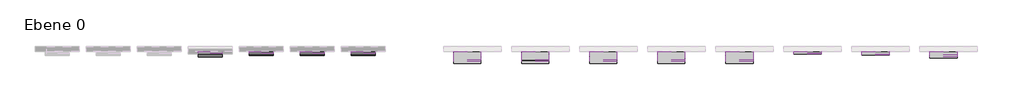
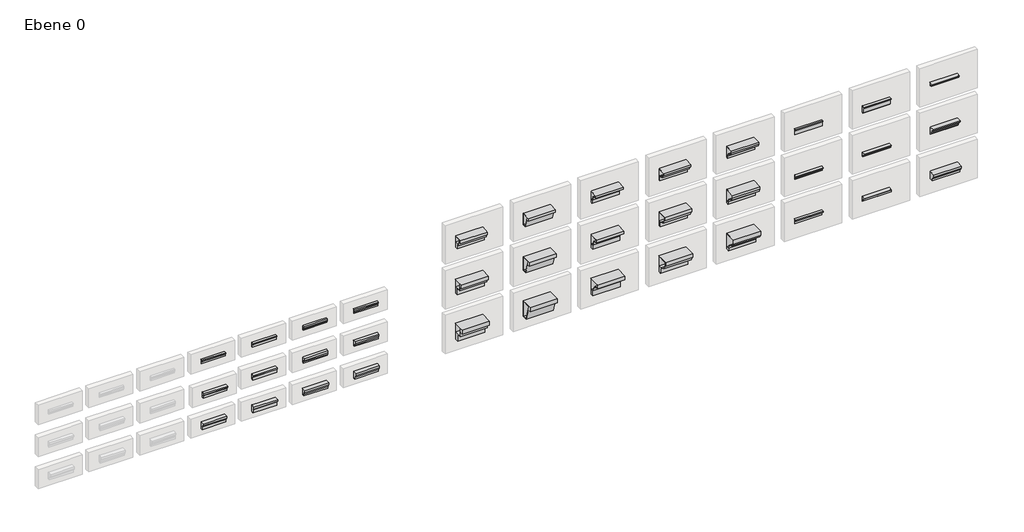
# One storey, part 3 of 3: 36 proxies.
"""IFC4 building model written with IfcOpenShell, lengths in millimetres."""

from ifc_helpers import new_model, si_unit, point, frame, frame_2d, origin, place, context, project, spatial, polyline, circle_curve, trimmed, segment, composite_curve, outline, extrude, element, save

model = new_model("IFC4")

# Units and contexts
model_context = context("Model", 3, world=origin())
ifc_project = project(units=[si_unit("LENGTHUNIT", "METRE", prefix="MILLI")], contexts=[model_context])

# Site, building, storey
site = spatial("IfcSite", under=ifc_project)
building = spatial("IfcBuilding", under=site)
storey = spatial("IfcBuildingStorey", under=building, Name="Ebene 0", Elevation=0.0)

# Proxies
placement = place(None, origin())
element("IfcBuildingElementProxy", 1, Name="Wall Sweeps", at=placement, inside=storey, context=model_context, shape_type="SweptSolid", body=[
    extrude(outline(composite_curve([segment(polyline([(705.4435816, 2213.8266332), (705.4435816, 2088.8266332), (690.4435816, 2088.8266332), (690.4435816, 2093.8266332), (680.4435816, 2093.8266332), (680.4435816, 2088.8266332), (670.4435816, 2088.8266332), (670.4435816, 2148.8266332)]), True, "CONTINUOUS"), segment(trimmed(circle_curve(frame_2d((670.4435816, 2158.8266332)), 10.0), [point((670.4435816, 2148.8266332))], [point((660.4435816, 2158.8266332))], False, "CARTESIAN"), True, "CONTINUOUS"), segment(polyline([(660.4435816, 2158.8266332), (660.4435816, 2168.8266332), (655.4435816, 2168.8266332)]), True, "CONTINUOUS"), segment(trimmed(circle_curve(frame_2d((645.4435816, 2168.8266332)), 10.0), [point((655.4435816, 2168.8266332))], [point((645.4435816, 2178.8266332))], True, "CARTESIAN"), True, "CONTINUOUS"), segment(polyline([(645.4435816, 2178.8266332), (645.4435816, 2208.8266332), (705.4435816, 2213.8266332)]), True, "CONTINUOUS")], self_intersect=False)), frame((587.7334141, 0.0, 0.0), z_axis=(1.0, 0.0, 0.0), x_axis=(0.0, 1.0, 0.0)), (0.0, 0.0, 1.0), 700.0),
])
element("IfcBuildingElementProxy", 2, Name="Wall Sweeps", at=placement, inside=storey, context=model_context, shape_type="SweptSolid", body=[
    extrude(outline(composite_curve([segment(polyline([(645.4435816, 2208.8266332), (705.4435816, 2213.8266332), (705.4435816, 2088.8266332), (685.4435816, 2088.8266332), (685.4435816, 2093.8266332), (675.4435816, 2093.8266332), (675.4435816, 2088.8266332), (665.4435816, 2088.8266332), (665.4435816, 2158.8266332)]), True, "CONTINUOUS"), segment(trimmed(circle_curve(frame_2d((665.4435816, 2168.8266332)), 10.0), [point((665.4435816, 2158.8266332))], [point((655.4435816, 2168.8266332))], False, "CARTESIAN"), True, "CONTINUOUS"), segment(trimmed(circle_curve(frame_2d((645.4435816, 2168.8266332)), 10.0), [point((655.4435816, 2168.8266332))], [point((645.4435816, 2178.8266332))], True, "CARTESIAN"), True, "CONTINUOUS"), segment(polyline([(645.4435816, 2178.8266332), (645.4435816, 2208.8266332)]), True, "CONTINUOUS")], self_intersect=False)), frame((2087.7334141, 0.0, 0.0), z_axis=(1.0, 0.0, 0.0), x_axis=(0.0, 1.0, 0.0)), (0.0, 0.0, 1.0), 700.0),
])
element("IfcBuildingElementProxy", 3, Name="Wall Sweeps", at=placement, inside=storey, context=model_context, shape_type="SweptSolid", body=[
    extrude(outline(polyline([(645.4435816, 2208.8266332), (705.4435816, 2213.8266332), (705.4435816, 2088.8266332), (685.4435816, 2088.8266332), (685.4435816, 2093.8266332), (675.4435816, 2093.8266332), (675.4435816, 2088.8266332), (665.4435816, 2088.8266332), (665.4435816, 2128.8266332), (655.4435816, 2128.8266332), (655.4435816, 2168.8266332), (645.4435816, 2168.8266332), (645.4435816, 2208.8266332)])), frame((3587.7334141, 0.0, 0.0), z_axis=(1.0, 0.0, 0.0), x_axis=(0.0, 1.0, 0.0)), (0.0, 0.0, 1.0), 700.0),
])
element("IfcBuildingElementProxy", 4, Name="Wall Sweeps", at=placement, inside=storey, context=model_context, shape_type="SweptSolid", body=[
    extrude(outline(polyline([(645.4435816, 2208.8266332), (705.4435816, 2213.8266332), (705.4435816, 2088.8266332), (685.4435816, 2088.8266332), (685.4435816, 2093.8266332), (675.4435816, 2093.8266332), (675.4435816, 2088.8266332), (665.4435816, 2088.8266332), (665.4435816, 2128.8266332), (660.4435816, 2128.8266332), (645.4435816, 2168.8266332), (645.4435816, 2208.8266332)])), frame((5087.7334141, 0.0, 0.0), z_axis=(1.0, 0.0, 0.0), x_axis=(0.0, 1.0, 0.0)), (0.0, 0.0, 1.0), 700.0),
])
element("IfcBuildingElementProxy", 5, Name="Wall Sweeps", at=placement, inside=storey, context=model_context, shape_type="SweptSolid", body=[
    extrude(outline(composite_curve([segment(polyline([(540.4435816, 1228.8266332), (630.4435816, 1233.8266332), (630.4435816, 1068.8266332), (600.4435816, 1068.8266332), (600.4435816, 1073.8266332), (590.4435816, 1073.8266332), (590.4435816, 1068.8266332), (580.4435816, 1068.8266332), (580.4435816, 1143.8266332)]), True, "CONTINUOUS"), segment(trimmed(circle_curve(frame_2d((580.4435816, 1158.8266332)), 15.0), [point((580.4435816, 1143.8266332))], [point((565.4435816, 1158.8266332))], False, "CARTESIAN"), True, "CONTINUOUS"), segment(polyline([(565.4435816, 1158.8266332), (565.4435816, 1173.8266332), (555.4435816, 1173.8266332)]), True, "CONTINUOUS"), segment(trimmed(circle_curve(frame_2d((540.4435816, 1173.8266332)), 15.0), [point((555.4435816, 1173.8266332))], [point((540.4435816, 1188.8266332))], True, "CARTESIAN"), True, "CONTINUOUS"), segment(polyline([(540.4435816, 1188.8266332), (540.4435816, 1228.8266332)]), True, "CONTINUOUS")], self_intersect=False)), frame((587.7334141, 0.0, 0.0), z_axis=(1.0, 0.0, 0.0), x_axis=(0.0, 1.0, 0.0)), (0.0, 0.0, 1.0), 700.0),
])
element("IfcBuildingElementProxy", 6, Name="Wall Sweeps", at=placement, inside=storey, context=model_context, shape_type="SweptSolid", body=[
    extrude(outline(polyline([(615.4435816, 1228.8266332), (705.4435816, 1233.8266332), (705.4435816, 1068.8266332), (675.4435816, 1068.8266332), (675.4435816, 1073.8266332), (665.4435816, 1073.8266332), (665.4435816, 1068.8266332), (655.4435816, 1068.8266332), (655.4435816, 1118.8266332), (635.4435816, 1118.8266332), (635.4435816, 1173.8266332), (615.4435816, 1173.8266332), (615.4435816, 1228.8266332)])), frame((3587.7334141, 0.0, 0.0), z_axis=(1.0, 0.0, 0.0), x_axis=(0.0, 1.0, 0.0)), (0.0, 0.0, 1.0), 700.0),
])
element("IfcBuildingElementProxy", 7, Name="Wall Sweeps", at=placement, inside=storey, context=model_context, shape_type="SweptSolid", body=[
    extrude(outline(polyline([(615.4435816, 1228.8266332), (705.4435816, 1233.8266332), (705.4435816, 1068.8266332), (665.4435816, 1068.8266332), (665.4435816, 1073.8266332), (655.4435816, 1073.8266332), (655.4435816, 1068.8266332), (645.4435816, 1068.8266332), (645.4435816, 1118.8266332), (635.4435816, 1118.8266332), (615.4435816, 1173.8266332), (615.4435816, 1228.8266332)])), frame((5087.7334141, 0.0, 0.0), z_axis=(1.0, 0.0, 0.0), x_axis=(0.0, 1.0, 0.0)), (0.0, 0.0, 1.0), 700.0),
])
element("IfcBuildingElementProxy", 8, Name="Wall Sweeps", at=placement, inside=storey, context=model_context, shape_type="SweptSolid", body=[
    extrude(outline(composite_curve([segment(polyline([(585.4435816, 253.8266332), (705.4435816, 258.8266332), (705.4435816, 58.8266332), (655.4435816, 58.8266332), (655.4435816, 63.8266332), (645.4435816, 63.8266332), (645.4435816, 58.8266332), (635.4435816, 58.8266332), (635.4435816, 143.8266332)]), True, "CONTINUOUS"), segment(trimmed(circle_curve(frame_2d((635.4435816, 163.8266332)), 20.0), [point((635.4435816, 143.8266332))], [point((615.4435816, 163.8266332))], False, "CARTESIAN"), True, "CONTINUOUS"), segment(polyline([(615.4435816, 163.8266332), (615.4435816, 183.8266332), (605.4435816, 183.8266332)]), True, "CONTINUOUS"), segment(trimmed(circle_curve(frame_2d((585.4435816, 183.8266332)), 20.0), [point((605.4435816, 183.8266332))], [point((585.4435816, 203.8266332))], True, "CARTESIAN"), True, "CONTINUOUS"), segment(polyline([(585.4435816, 203.8266332), (585.4435816, 253.8266332)]), True, "CONTINUOUS")], self_intersect=False)), frame((587.7334141, 0.0, 0.0), z_axis=(1.0, 0.0, 0.0), x_axis=(0.0, 1.0, 0.0)), (0.0, 0.0, 1.0), 700.0),
])
element("IfcBuildingElementProxy", 9, Name="Wall Sweeps", at=placement, inside=storey, context=model_context, shape_type="SweptSolid", body=[
    extrude(outline(composite_curve([segment(polyline([(585.4435816, 253.8266332), (705.4435816, 258.8266332), (705.4435816, 58.8266332), (645.4435816, 58.8266332), (645.4435816, 63.8266332), (635.4435816, 63.8266332), (635.4435816, 58.8266332), (625.4435816, 58.8266332), (625.4435816, 163.8266332)]), True, "CONTINUOUS"), segment(trimmed(circle_curve(frame_2d((625.4435816, 183.8266332)), 20.0), [point((625.4435816, 163.8266332))], [point((605.4435816, 183.8266332))], False, "CARTESIAN"), True, "CONTINUOUS"), segment(trimmed(circle_curve(frame_2d((585.4435816, 183.8266332)), 20.0), [point((605.4435816, 183.8266332))], [point((585.4435816, 203.8266332))], True, "CARTESIAN"), True, "CONTINUOUS"), segment(polyline([(585.4435816, 203.8266332), (585.4435816, 253.8266332)]), True, "CONTINUOUS")], self_intersect=False)), frame((2087.7334141, 0.0, 0.0), z_axis=(1.0, 0.0, 0.0), x_axis=(0.0, 1.0, 0.0)), (0.0, 0.0, 1.0), 700.0),
])
element("IfcBuildingElementProxy", 10, Name="Wall Sweeps", at=placement, inside=storey, context=model_context, shape_type="SweptSolid", body=[
    extrude(outline(polyline([(585.4435816, 253.8266332), (705.4435816, 258.8266332), (705.4435816, 58.8266332), (655.4435816, 58.8266332), (655.4435816, 63.8266332), (645.4435816, 63.8266332), (645.4435816, 58.8266332), (635.4435816, 58.8266332), (635.4435816, 123.8266332), (610.4435816, 123.8266332), (610.4435816, 188.8266332), (585.4435816, 188.8266332), (585.4435816, 253.8266332)])), frame((3587.7334141, 0.0, 0.0), z_axis=(1.0, 0.0, 0.0), x_axis=(0.0, 1.0, 0.0)), (0.0, 0.0, 1.0), 700.0),
])
element("IfcBuildingElementProxy", 11, Name="Wall Sweeps", at=placement, inside=storey, context=model_context, shape_type="SweptSolid", body=[
    extrude(outline(polyline([(585.4435816, 253.8266332), (705.4435816, 258.8266332), (705.4435816, 58.8266332), (655.4435816, 58.8266332), (655.4435816, 63.8266332), (645.4435816, 63.8266332), (645.4435816, 58.8266332), (635.4435816, 58.8266332), (635.4435816, 123.8266332), (615.4435816, 123.8266332), (585.4435816, 198.8266332), (585.4435816, 253.8266332)])), frame((5087.7334141, 0.0, 0.0), z_axis=(1.0, 0.0, 0.0), x_axis=(0.0, 1.0, 0.0)), (0.0, 0.0, 1.0), 700.0),
])
element("IfcBuildingElementProxy", 12, Name="Wall Sweeps", at=placement, inside=storey, context=model_context, shape_type="SweptSolid", body=[
    extrude(outline(polyline([(705.4435816, 218.8266332), (610.4435816, 218.8266332), (610.4435816, 228.8266332), (600.4435816, 228.8266332), (600.4435816, 218.8266332), (585.4435816, 218.8266332), (585.4435816, 428.8266332), (455.4435816, 428.8266332), (455.4435816, 568.8266332), (355.4435816, 568.8266332), (355.4435816, 694.8266332), (705.4435816, 708.8266332), (705.4435816, 218.8266332)]), holes=[polyline([(685.4435816, 448.8266332), (685.4435816, 688.0106396), (475.4435816, 679.6106396), (475.4435816, 448.8266332), (685.4435816, 448.8266332)])]), frame((8099.3066703, 0.0, 0.0), z_axis=(1.0, 0.0, 0.0), x_axis=(0.0, 1.0, 0.0)), (0.0, 0.0, 1.0), 800.0),
])
element("IfcBuildingElementProxy", 13, Name="Wall Sweeps", at=placement, inside=storey, context=model_context, shape_type="SweptSolid", body=[
    extrude(outline(polyline([(705.4435816, 3408.8106396), (705.4435816, 3078.8266332), (640.4435816, 3078.8266332), (640.4435816, 3088.8266332), (630.4435816, 3088.8266332), (630.4435816, 3078.8266332), (615.4435816, 3078.8266332), (615.4435816, 3228.8266332), (525.4435816, 3228.8266332), (525.4435816, 3328.8266332), (455.4435816, 3328.8266332), (455.4435816, 3418.8266332), (705.4435816, 3428.8266332), (705.4435816, 3408.8106396)]), holes=[polyline([(685.4435816, 3408.0106396), (545.4435816, 3402.4106396), (545.4435816, 3248.8266332), (685.4435816, 3248.8266332), (685.4435816, 3408.0106396)])]), frame((8099.3066703, 0.0, 0.0), z_axis=(1.0, 0.0, 0.0), x_axis=(0.0, 1.0, 0.0)), (0.0, 0.0, 1.0), 800.0),
])
element("IfcBuildingElementProxy", 14, Name="Wall Sweeps", at=placement, inside=storey, context=model_context, shape_type="SweptSolid", body=[
    extrude(outline(polyline([(705.4435816, 2078.8266332), (705.4435816, 1658.8266332), (630.4435816, 1658.8266332), (630.4435816, 1668.8266332), (620.4435816, 1668.8266332), (620.4435816, 1658.8266332), (605.4435816, 1658.8266332), (605.4435816, 1838.8266332), (495.4435816, 1838.8266332), (495.4435816, 1958.8266332), (405.4435816, 1958.8266332), (405.4435816, 2066.8266332), (705.4435816, 2078.8266332)]), holes=[polyline([(515.4435816, 1858.8266332), (685.4435816, 1858.8266332), (685.4435816, 2058.0106396), (515.4435816, 2051.2106396), (515.4435816, 1858.8266332)])]), frame((8099.3066703, 0.0, 0.0), z_axis=(1.0, 0.0, 0.0), x_axis=(0.0, 1.0, 0.0)), (0.0, 0.0, 1.0), 800.0),
])
element("IfcBuildingElementProxy", 15, Name="Wall Sweeps", at=placement, inside=storey, context=model_context, shape_type="SweptSolid", body=[
    extrude(outline(polyline([(705.4435816, 708.8266332), (705.4435816, 218.8266332), (580.4435816, 218.8266332), (580.4435816, 228.8266332), (570.4435816, 228.8266332), (570.4435816, 218.8266332), (555.4435816, 218.8266332), (455.4435816, 568.8266332), (355.4435816, 568.8266332), (355.4435816, 694.8266332), (705.4435816, 708.8266332)]), holes=[polyline([(685.4435816, 238.8266332), (685.4435816, 688.0106396), (444.9399354, 678.3904937), (570.5296098, 238.8266332), (685.4435816, 238.8266332)])]), frame((10099.3066703, 0.0, 0.0), z_axis=(1.0, 0.0, 0.0), x_axis=(0.0, 1.0, 0.0)), (0.0, 0.0, 1.0), 800.0),
])
element("IfcBuildingElementProxy", 16, Name="Wall Sweeps", at=placement, inside=storey, context=model_context, shape_type="SweptSolid", body=[
    extrude(outline(polyline([(705.4435816, 3428.8266332), (705.4435816, 3078.8266332), (620.4435816, 3078.8266332), (620.4435816, 3088.8266332), (610.4435816, 3088.8266332), (610.4435816, 3078.8266332), (595.4435816, 3078.8266332), (525.4435816, 3328.8266332), (455.4435816, 3328.8266332), (455.4435816, 3418.8266332), (705.4435816, 3428.8266332)]), holes=[polyline([(685.4435816, 3408.0106396), (525.8289516, 3401.6260544), (610.6127896, 3098.8266332), (685.4435816, 3098.8266332), (685.4435816, 3408.0106396)])]), frame((10099.3066703, 0.0, 0.0), z_axis=(1.0, 0.0, 0.0), x_axis=(0.0, 1.0, 0.0)), (0.0, 0.0, 1.0), 800.0),
])
element("IfcBuildingElementProxy", 17, Name="Wall Sweeps", at=placement, inside=storey, context=model_context, shape_type="SweptSolid", body=[
    extrude(outline(polyline([(705.4435816, 1658.8266332), (600.4435816, 1658.8266332), (600.4435816, 1668.8266332), (590.4435816, 1668.8266332), (590.4435816, 1658.8266332), (575.4435816, 1658.8266332), (490.4435816, 1958.8266332), (405.4435816, 1958.8266332), (405.4435816, 2066.8266332), (705.4435816, 2078.8266332), (705.4435816, 1658.8266332)]), holes=[polyline([(590.5641974, 1678.8266332), (685.4435816, 1678.8266332), (685.4435816, 2058.0106396), (485.3959355, 2050.0087337), (590.5641974, 1678.8266332)])]), frame((10099.3066703, 0.0, 0.0), z_axis=(1.0, 0.0, 0.0), x_axis=(0.0, 1.0, 0.0)), (0.0, 0.0, 1.0), 800.0),
])
element("IfcBuildingElementProxy", 18, Name="Wall Sweeps", at=placement, inside=storey, context=model_context, shape_type="SweptSolid", body=[
    extrude(outline(composite_curve([segment(polyline([(705.4435816, 708.8266332), (705.4435816, 218.8266332), (630.4435816, 218.8266332), (630.4435816, 228.8266332), (620.4435816, 228.8266332), (620.4435816, 218.8266332), (605.4435816, 218.8266332), (605.4435816, 374.8266332)]), True, "CONTINUOUS"), segment(trimmed(circle_curve(frame_2d((385.4435816, 374.8266332)), 220.0), [point((605.4435816, 374.8266332))], [point((385.4435816, 594.8266332))], True, "CARTESIAN"), True, "CONTINUOUS"), segment(polyline([(385.4435816, 594.8266332), (355.4435816, 594.8266332), (355.4435816, 694.8266332), (705.4435816, 708.8266332)]), True, "CONTINUOUS")], self_intersect=False), holes=[composite_curve([segment(polyline([(615.4435816, 374.8266332), (685.4435816, 374.8266332), (685.4435816, 688.0106396), (385.4435816, 676.0106396), (385.4435816, 604.8266332)]), True, "CONTINUOUS"), segment(trimmed(circle_curve(frame_2d((385.4435816, 374.8266332)), 230.0), [point((385.4435816, 604.8266332))], [point((615.4435816, 374.8266332))], False, "CARTESIAN"), True, "CONTINUOUS")], self_intersect=False)]), frame((12099.3066703, 0.0, 0.0), z_axis=(1.0, 0.0, 0.0), x_axis=(0.0, 1.0, 0.0)), (0.0, 0.0, 1.0), 800.0),
])
element("IfcBuildingElementProxy", 19, Name="Wall Sweeps", at=placement, inside=storey, context=model_context, shape_type="SweptSolid", body=[
    extrude(outline(composite_curve([segment(polyline([(705.4435816, 3078.8266332), (670.4435816, 3078.8266332), (670.4435816, 3088.8266332), (660.4435816, 3088.8266332), (660.4435816, 3078.8266332), (645.4435816, 3078.8266332), (645.4435816, 3178.8266332)]), True, "CONTINUOUS"), segment(trimmed(circle_curve(frame_2d((465.4435816, 3178.8266332)), 180.0), [point((645.4435816, 3178.8266332))], [point((465.4435816, 3358.8266332))], True, "CARTESIAN"), True, "CONTINUOUS"), segment(polyline([(465.4435816, 3358.8266332), (455.4435816, 3358.8266332), (455.4435816, 3418.8266332), (705.4435816, 3428.8266332), (705.4435816, 3078.8266332)]), True, "CONTINUOUS")], self_intersect=False), holes=[composite_curve([segment(polyline([(655.4435816, 3178.8266332), (685.4435816, 3178.8266332), (685.4435816, 3408.0106396), (475.4435816, 3399.6106396), (475.4435816, 3368.5632928)]), True, "CONTINUOUS"), segment(trimmed(circle_curve(frame_2d((465.4435816, 3178.8266332)), 190.0), [point((475.4435816, 3368.5632928))], [point((655.4435816, 3178.8266332))], False, "CARTESIAN"), True, "CONTINUOUS")], self_intersect=False)]), frame((12099.3066703, 0.0, 0.0), z_axis=(1.0, 0.0, 0.0), x_axis=(0.0, 1.0, 0.0)), (0.0, 0.0, 1.0), 800.0),
])
element("IfcBuildingElementProxy", 20, Name="Wall Sweeps", at=placement, inside=storey, context=model_context, shape_type="SweptSolid", body=[
    extrude(outline(composite_curve([segment(polyline([(705.4435816, 1658.8266332), (650.4435816, 1658.8266332), (650.4435816, 1668.8266332), (640.4435816, 1668.8266332), (640.4435816, 1658.8266332), (625.4435816, 1658.8266332), (625.4435816, 1786.8266332)]), True, "CONTINUOUS"), segment(trimmed(circle_curve(frame_2d((425.4435816, 1786.8266332)), 200.0), [point((625.4435816, 1786.8266332))], [point((425.4435816, 1986.8266332))], True, "CARTESIAN"), True, "CONTINUOUS"), segment(polyline([(425.4435816, 1986.8266332), (405.4435816, 1986.8266332), (405.4435816, 2066.8266332), (705.4435816, 2078.8266332), (705.4435816, 1658.8266332)]), True, "CONTINUOUS")], self_intersect=False), holes=[composite_curve([segment(polyline([(635.2053512, 1796.8266332), (685.4435816, 1796.8266332), (685.4435816, 2058.0065443), (425.4435816, 2047.6106396), (425.4435816, 1996.8266332)]), True, "CONTINUOUS"), segment(trimmed(circle_curve(frame_2d((425.4435816, 1786.8266332)), 210.0), [point((425.4435816, 1996.8266332))], [point((635.2053512, 1796.8266332))], False, "CARTESIAN"), True, "CONTINUOUS")], self_intersect=False)]), frame((12099.3066703, 0.0, 0.0), z_axis=(1.0, 0.0, 0.0), x_axis=(0.0, 1.0, 0.0)), (0.0, 0.0, 1.0), 800.0),
])
element("IfcBuildingElementProxy", 21, Name="Wall Sweeps", at=placement, inside=storey, context=model_context, shape_type="SweptSolid", body=[
    extrude(outline(composite_curve([segment(polyline([(705.4435816, 708.8266332), (705.4435816, 218.8266332), (630.4435816, 218.8266332), (630.4435816, 228.8266332), (620.4435816, 228.8266332), (620.4435816, 218.8266332), (605.4435816, 218.8266332), (605.4435816, 394.8266332), (585.4435816, 394.8266332)]), True, "CONTINUOUS"), segment(trimmed(circle_curve(frame_2d((585.4435816, 594.8266332)), 200.0), [point((585.4435816, 394.8266332))], [point((385.4435816, 594.8266332))], False, "CARTESIAN"), True, "CONTINUOUS"), segment(polyline([(385.4435816, 594.8266332), (355.4435816, 594.8266332), (355.4435816, 694.8266332), (705.4435816, 708.8266332)]), True, "CONTINUOUS")], self_intersect=False), holes=[composite_curve([segment(polyline([(585.4435816, 404.8266332), (684.7151366, 404.8266332), (684.7151366, 687.9815018), (395.4435816, 676.4106396), (395.4435816, 594.8266332)]), True, "CONTINUOUS"), segment(trimmed(circle_curve(frame_2d((585.4435816, 594.8266332)), 190.0), [point((395.4435816, 594.8266332))], [point((585.4435816, 404.8266332))], True, "CARTESIAN"), True, "CONTINUOUS")], self_intersect=False)]), frame((14099.3066703, 0.0, 0.0), z_axis=(1.0, 0.0, 0.0), x_axis=(0.0, 1.0, 0.0)), (0.0, 0.0, 1.0), 800.0),
])
element("IfcBuildingElementProxy", 22, Name="Wall Sweeps", at=placement, inside=storey, context=model_context, shape_type="SweptSolid", body=[
    extrude(outline(composite_curve([segment(polyline([(705.4435816, 3078.8266332), (670.4435816, 3078.8266332), (670.4435816, 3088.8266332), (660.4435816, 3088.8266332), (660.4435816, 3078.8266332), (645.4435816, 3078.8266332), (645.4435816, 3198.8266332)]), True, "CONTINUOUS"), segment(trimmed(circle_curve(frame_2d((645.1492241, 3368.8263783)), 170.0), [point((645.4435816, 3198.8266332))], [point((475.4435816, 3358.8266332))], False, "CARTESIAN"), True, "CONTINUOUS"), segment(polyline([(475.4435816, 3358.8266332), (455.4435816, 3358.8266332), (455.4435816, 3418.8266332), (705.4435816, 3428.7990998), (705.4435816, 3078.8266332)]), True, "CONTINUOUS")], self_intersect=False), holes=[composite_curve([segment(polyline([(645.4347928, 3208.8266332), (685.4918611, 3208.8266332), (685.4918611, 3407.9872347), (485.4435816, 3400.0073356), (485.4435816, 3359.1254632)]), True, "CONTINUOUS"), segment(trimmed(circle_curve(frame_2d((645.1492241, 3368.8263783)), 160.0), [point((485.4435816, 3359.1254632))], [point((645.4347928, 3208.8266332))], True, "CARTESIAN"), True, "CONTINUOUS")], self_intersect=False)]), frame((14099.3066703, 0.0, 0.0), z_axis=(1.0, 0.0, 0.0), x_axis=(0.0, 1.0, 0.0)), (0.0, 0.0, 1.0), 800.0),
])
element("IfcBuildingElementProxy", 23, Name="Wall Sweeps", at=placement, inside=storey, context=model_context, shape_type="SweptSolid", body=[
    extrude(outline(composite_curve([segment(polyline([(705.4435816, 1658.8266332), (650.4435816, 1658.8266332), (650.4435816, 1668.8266332), (640.4435816, 1668.8266332), (640.4435816, 1658.8266332), (625.4435816, 1658.8266332), (625.4435816, 1806.8266332), (605.4435816, 1806.8266332)]), True, "CONTINUOUS"), segment(trimmed(circle_curve(frame_2d((605.4435816, 1986.8266332)), 180.0), [point((605.4435816, 1806.8266332))], [point((425.4435816, 1986.8266332))], False, "CARTESIAN"), True, "CONTINUOUS"), segment(polyline([(425.4435816, 1986.8266332), (405.4435816, 1986.8266332), (405.4435816, 2066.8266332), (705.4435816, 2078.8266332), (705.4435816, 1658.8266332)]), True, "CONTINUOUS")], self_intersect=False), holes=[composite_curve([segment(trimmed(circle_curve(frame_2d((605.4435816, 1986.8266332)), 170.0), [point((435.4435816, 1986.8266332))], [point((605.4435816, 1816.8266332))], True, "CARTESIAN"), True, "CONTINUOUS"), segment(polyline([(605.4435816, 1816.8266332), (685.4435816, 1816.8266332), (685.4435816, 2058.0106396), (435.4435816, 2048.0106396), (435.4435816, 1986.8266332)]), True, "CONTINUOUS")], self_intersect=False)]), frame((14099.3066703, 0.0, 0.0), z_axis=(1.0, 0.0, 0.0), x_axis=(0.0, 1.0, 0.0)), (0.0, 0.0, 1.0), 800.0),
])
element("IfcBuildingElementProxy", 24, Name="Wall Sweeps", at=placement, inside=storey, context=model_context, shape_type="SweptSolid", body=[
    extrude(outline(composite_curve([segment(polyline([(705.4435816, 708.8266332), (705.4435816, 218.8266332), (630.4435816, 218.8266332), (630.4435816, 228.8266332), (620.4435816, 228.8266332), (620.4435816, 218.8266332), (605.4435816, 218.8266332), (605.4435816, 306.438415)]), True, "CONTINUOUS"), segment(trimmed(circle_curve(frame_2d((445.4435816, 306.438415)), 160.0), [point((605.4435816, 306.438415))], [point((462.5864387, 465.5173968))], True, "CARTESIAN"), True, "CONTINUOUS"), segment(trimmed(circle_curve(frame_2d((475.4435816, 584.8266332)), 120.0), [point((462.5864387, 465.5173968))], [point((355.4435816, 584.8266332))], False, "CARTESIAN"), True, "CONTINUOUS"), segment(polyline([(355.4435816, 584.8266332), (355.4435816, 694.8266332), (705.4435816, 708.8266332)]), True, "CONTINUOUS")], self_intersect=False), holes=[composite_curve([segment(polyline([(685.4435816, 688.0106396), (365.4435816, 675.2106396), (365.4435816, 584.8266332)]), True, "CONTINUOUS"), segment(trimmed(circle_curve(frame_2d((475.4435816, 584.8266332)), 110.0), [point((365.4435816, 584.8266332))], [point((463.6578673, 475.4598332))], True, "CARTESIAN"), True, "CONTINUOUS"), segment(trimmed(circle_curve(frame_2d((445.4435816, 306.438415)), 170.0), [point((463.6578673, 475.4598332))], [point((615.4359576, 304.828415))], False, "CARTESIAN"), True, "CONTINUOUS"), segment(polyline([(615.4359576, 304.828415), (685.4435816, 304.828415), (685.4435816, 688.0106396)]), True, "CONTINUOUS")], self_intersect=False)]), frame((16099.3066703, 0.0, 0.0), z_axis=(1.0, 0.0, 0.0), x_axis=(0.0, 1.0, 0.0)), (0.0, 0.0, 1.0), 800.0),
])
element("IfcBuildingElementProxy", 25, Name="Wall Sweeps", at=placement, inside=storey, context=model_context, shape_type="SweptSolid", body=[
    extrude(outline(composite_curve([segment(polyline([(705.4435816, 3428.8266332), (705.4435816, 3078.8266332), (670.4435816, 3078.8266332), (670.4435816, 3088.8266332), (660.4435816, 3088.8266332), (660.4435816, 3078.8266332), (645.4435816, 3078.8266332), (645.4435816, 3148.8266332)]), True, "CONTINUOUS"), segment(trimmed(circle_curve(frame_2d((525.4435816, 3148.8266332)), 120.0), [point((645.4435816, 3148.8266332))], [point((536.816023, 3268.2865326))], True, "CARTESIAN"), True, "CONTINUOUS"), segment(trimmed(circle_curve(frame_2d((545.3453541, 3357.8814572)), 90.0), [point((536.816023, 3268.2865326))], [point((455.4435816, 3353.6777319))], False, "CARTESIAN"), True, "CONTINUOUS"), segment(polyline([(455.4435816, 3353.6777319), (455.4435816, 3418.8266332), (705.4435816, 3428.8266332)]), True, "CONTINUOUS")], self_intersect=False), holes=[composite_curve([segment(polyline([(685.4435816, 3407.9853318), (465.3505745, 3399.2068639), (465.3505745, 3356.9675442)]), True, "CONTINUOUS"), segment(trimmed(circle_curve(frame_2d((545.3453541, 3357.8814572)), 80.0), [point((465.3505745, 3356.9675442))], [point((537.7637265, 3278.2415242))], True, "CARTESIAN"), True, "CONTINUOUS"), segment(trimmed(circle_curve(frame_2d((525.4435816, 3148.8266332)), 130.0), [point((537.7637265, 3278.2415242))], [point((655.4435816, 3148.8266332))], False, "CARTESIAN"), True, "CONTINUOUS"), segment(polyline([(655.4435816, 3148.8266332), (685.4435816, 3148.8266332), (685.4435816, 3407.9853318)]), True, "CONTINUOUS")], self_intersect=False)]), frame((16099.3066703, 0.0, 0.0), z_axis=(1.0, 0.0, 0.0), x_axis=(0.0, 1.0, 0.0)), (0.0, 0.0, 1.0), 800.0),
])
element("IfcBuildingElementProxy", 26, Name="Wall Sweeps", at=placement, inside=storey, context=model_context, shape_type="SweptSolid", body=[
    extrude(outline(composite_curve([segment(polyline([(705.4435816, 2078.8266332), (705.4435816, 1658.8266332), (645.4435816, 1658.8266332), (645.4435816, 1668.8266332), (635.4435816, 1668.8266332), (635.4435816, 1658.8266332), (625.4435816, 1658.8266332), (625.4435816, 1736.8266332)]), True, "CONTINUOUS"), segment(trimmed(circle_curve(frame_2d((485.4435816, 1736.8266332)), 140.0), [point((625.4435816, 1736.8266332))], [point((497.1102483, 1876.3396752))], True, "CARTESIAN"), True, "CONTINUOUS"), segment(trimmed(circle_curve(frame_2d((505.4435816, 1975.991848)), 100.0), [point((497.1102483, 1876.3396752))], [point((405.4435816, 1975.991848))], False, "CARTESIAN"), True, "CONTINUOUS"), segment(polyline([(405.4435816, 1975.991848), (405.4435816, 2066.8266332), (705.4435816, 2078.8266332)]), True, "CONTINUOUS")], self_intersect=False), holes=[composite_curve([segment(polyline([(685.4435816, 2058.0106396), (415.4435816, 2047.2106396), (415.4435816, 1975.991848)]), True, "CONTINUOUS"), segment(trimmed(circle_curve(frame_2d((505.4435816, 1975.991848)), 90.0), [point((415.4435816, 1975.991848))], [point((497.9435816, 1886.3048924))], True, "CARTESIAN"), True, "CONTINUOUS"), segment(trimmed(circle_curve(frame_2d((485.4435816, 1736.8266332)), 150.0), [point((497.9435816, 1886.3048924))], [point((635.4435816, 1736.8266332))], False, "CARTESIAN"), True, "CONTINUOUS"), segment(polyline([(635.4435816, 1736.8266332), (685.4435816, 1736.8266332), (685.4435816, 2058.0106396)]), True, "CONTINUOUS")], self_intersect=False)]), frame((16099.3066703, 0.0, 0.0), z_axis=(1.0, 0.0, 0.0), x_axis=(0.0, 1.0, 0.0)), (0.0, 0.0, 1.0), 800.0),
])
element("IfcBuildingElementProxy", 27, Name="Wall Sweeps", at=placement, inside=storey, context=model_context, shape_type="SweptSolid", body=[
    extrude(outline(composite_curve([segment(polyline([(705.4435816, 463.8266332), (705.4435816, 318.8266332), (696.4451916, 318.8266332), (696.4451916, 324.8266332), (690.4451916, 324.8266332), (690.4451916, 318.8266332), (685.4435816, 318.8266332), (685.4435816, 389.9866332), (675.4569816, 389.9866332), (675.4569816, 394.9866332)]), True, "CONTINUOUS"), segment(trimmed(circle_curve(frame_2d((635.4569816, 394.9866332)), 40.0), [point((675.4569816, 394.9866332))], [point((635.4569816, 434.9866332))], True, "CARTESIAN"), True, "CONTINUOUS"), segment(polyline([(635.4569816, 434.9866332), (635.4569816, 438.9866332), (629.4569816, 438.9866332), (629.4569816, 434.9866332), (625.4435816, 434.9866332), (625.4435816, 459.9866332), (705.4435816, 463.8266332)]), True, "CONTINUOUS")], self_intersect=False)), frame((18099.3066703, 0.0, 0.0), z_axis=(1.0, 0.0, 0.0), x_axis=(0.0, 1.0, 0.0)), (0.0, 0.0, 1.0), 800.0),
])
element("IfcBuildingElementProxy", 28, Name="Wall Sweeps", at=placement, inside=storey, context=model_context, shape_type="SweptSolid", body=[
    extrude(outline(composite_curve([segment(polyline([(705.4435816, 3078.8266332), (695.4435816, 3078.8266332), (695.4435816, 3093.8266332), (680.4435816, 3093.8266332), (680.4435816, 3218.8266332)]), True, "CONTINUOUS"), segment(trimmed(circle_curve(frame_2d((680.4435816, 3248.8266332)), 30.0), [point((680.4435816, 3218.8266332))], [point((650.4435816, 3248.8266332))], False, "CARTESIAN"), True, "CONTINUOUS"), segment(polyline([(650.4435816, 3248.8266332), (640.4435816, 3248.8266332), (640.4435816, 3268.8266332), (705.4435816, 3273.8266332), (705.4435816, 3078.8266332)]), True, "CONTINUOUS")], self_intersect=False)), frame((18099.3066703, 0.0, 0.0), z_axis=(1.0, 0.0, 0.0), x_axis=(0.0, 1.0, 0.0)), (0.0, 0.0, 1.0), 800.0),
])
element("IfcBuildingElementProxy", 29, Name="Wall Sweeps", at=placement, inside=storey, context=model_context, shape_type="SweptSolid", body=[
    extrude(outline(composite_curve([segment(polyline([(705.4435816, 1708.8266332), (682.4435816, 1708.8266332), (682.4435816, 1714.8266332), (676.4435816, 1714.8266332), (676.4435816, 1708.8266332), (670.4435816, 1708.8266332), (670.4435816, 1743.8266332)]), True, "CONTINUOUS"), segment(trimmed(circle_curve(frame_2d((670.4435816, 1753.8266332)), 10.0), [point((670.4435816, 1743.8266332))], [point((660.4435816, 1753.8266332))], False, "CARTESIAN"), True, "CONTINUOUS"), segment(polyline([(660.4435816, 1753.8266332), (660.4435816, 1763.8266332)]), True, "CONTINUOUS"), segment(trimmed(circle_curve(frame_2d((660.4435816, 1798.8266332)), 35.0), [point((660.4435816, 1763.8266332))], [point((625.4435816, 1798.8266332))], False, "CARTESIAN"), True, "CONTINUOUS"), segment(polyline([(625.4435816, 1798.8266332), (625.4435816, 1823.8266332), (705.4435816, 1828.8266332), (705.4435816, 1708.8266332)]), True, "CONTINUOUS")], self_intersect=False)), frame((18099.3066703, 0.0, 0.0), z_axis=(1.0, 0.0, 0.0), x_axis=(0.0, 1.0, 0.0)), (0.0, 0.0, 1.0), 800.0),
])
element("IfcBuildingElementProxy", 30, Name="Wall Sweeps", at=placement, inside=storey, context=model_context, shape_type="SweptSolid", body=[
    extrude(outline(composite_curve([segment(polyline([(705.4435816, 468.8266332), (705.4435816, 318.8266332), (695.4435816, 318.8266332), (695.4435816, 328.8266332)]), True, "CONTINUOUS"), segment(trimmed(circle_curve(frame_2d((695.4435816, 358.8266332)), 30.0), [point((695.4435816, 328.8266332))], [point((665.4435816, 358.8266332))], False, "CARTESIAN"), True, "CONTINUOUS"), segment(polyline([(665.4435816, 358.8266332), (665.4435816, 368.8266332), (655.4435816, 368.8266332), (655.4435816, 378.8266332), (615.4435816, 378.8266332), (615.4435816, 428.8266332)]), True, "CONTINUOUS"), segment(trimmed(circle_curve(frame_2d((605.4435816, 428.8266332)), 10.0), [point((615.4435816, 428.8266332))], [point((605.4435816, 438.8266332))], True, "CARTESIAN"), True, "CONTINUOUS"), segment(polyline([(605.4435816, 438.8266332), (605.4435816, 448.8266332), (705.4435816, 468.8266332)]), True, "CONTINUOUS")], self_intersect=False)), frame((20099.3066703, 0.0, 0.0), z_axis=(1.0, 0.0, 0.0), x_axis=(0.0, 1.0, 0.0)), (0.0, 0.0, 1.0), 800.0),
])
element("IfcBuildingElementProxy", 31, Name="Wall Sweeps", at=placement, inside=storey, context=model_context, shape_type="SweptSolid", body=[
    extrude(outline(composite_curve([segment(polyline([(705.4435816, 3078.8266332), (670.4435816, 3078.8266332), (670.4435816, 3093.8266332), (655.4435816, 3093.8266332), (655.4435816, 3223.8266332)]), True, "CONTINUOUS"), segment(trimmed(circle_curve(frame_2d((655.4435816, 3253.8266332)), 30.0), [point((655.4435816, 3223.8266332))], [point((625.4435816, 3253.8266332))], False, "CARTESIAN"), True, "CONTINUOUS"), segment(polyline([(625.4435816, 3253.8266332), (615.4435816, 3253.8266332), (615.4435816, 3273.8266332), (705.4435816, 3278.8266332), (705.4435816, 3078.8266332)]), True, "CONTINUOUS")], self_intersect=False)), frame((20099.3066703, 0.0, 0.0), z_axis=(1.0, 0.0, 0.0), x_axis=(0.0, 1.0, 0.0)), (0.0, 0.0, 1.0), 800.0),
])
element("IfcBuildingElementProxy", 32, Name="Wall Sweeps", at=placement, inside=storey, context=model_context, shape_type="SweptSolid", body=[
    extrude(outline(composite_curve([segment(polyline([(705.4435816, 1708.8266332), (685.4435816, 1708.8266332), (685.4435816, 1713.8266332)]), True, "CONTINUOUS"), segment(trimmed(circle_curve(frame_2d((685.4435816, 1728.8266332)), 15.0), [point((685.4435816, 1713.8266332))], [point((670.4435816, 1728.8266332))], False, "CARTESIAN"), True, "CONTINUOUS"), segment(polyline([(670.4435816, 1728.8266332), (670.4435816, 1738.8266332), (665.4435816, 1738.8266332), (665.4435816, 1743.8266332), (652.4435816, 1743.8266332), (652.4435816, 1749.8266332), (646.4435816, 1749.8266332), (646.4435816, 1743.8266332), (640.4435816, 1743.8266332), (640.4435816, 1781.4414684)]), True, "CONTINUOUS"), segment(trimmed(circle_curve(frame_2d((635.4435816, 1781.4414684)), 5.0), [point((640.4435816, 1781.4414684))], [point((637.300535, 1786.0838518))], True, "CARTESIAN"), True, "CONTINUOUS"), segment(polyline([(637.300535, 1786.0838518), (630.4435816, 1788.8266332), (630.4435816, 1798.8266332)]), True, "CONTINUOUS"), segment(trimmed(circle_curve(frame_2d((630.4435816, 1823.8266332)), 25.0), [point((630.4435816, 1798.8266332))], [point((605.4435816, 1823.8266332))], False, "CARTESIAN"), True, "CONTINUOUS"), segment(polyline([(605.4435816, 1823.8266332), (605.4435816, 1833.8266332), (705.4435816, 1838.8266332), (705.4435816, 1708.8266332)]), True, "CONTINUOUS")], self_intersect=False)), frame((20099.3066703, 0.0, 0.0), z_axis=(1.0, 0.0, 0.0), x_axis=(0.0, 1.0, 0.0)), (0.0, 0.0, 1.0), 800.0),
])
element("IfcBuildingElementProxy", 33, Name="Wall Sweeps", at=placement, inside=storey, context=model_context, shape_type="SweptSolid", body=[
    extrude(outline(composite_curve([segment(polyline([(705.4435816, 318.8266332), (580.4435816, 318.8266332), (580.4435816, 388.8266332), (565.4435816, 388.8266332), (565.4435816, 423.8266332), (560.4435816, 423.8266332)]), True, "CONTINUOUS"), segment(trimmed(circle_curve(frame_2d((560.4435816, 463.8266332)), 40.0), [point((560.4435816, 423.8266332))], [point((520.4435816, 463.8266332))], False, "CARTESIAN"), True, "CONTINUOUS"), segment(polyline([(520.4435816, 463.8266332), (520.4435816, 468.8266332), (505.4435816, 468.8266332), (505.4435816, 538.8266332), (705.4435816, 553.8266332), (705.4435816, 318.8266332)]), True, "CONTINUOUS")], self_intersect=False)), frame((22099.3066703, 0.0, 0.0), z_axis=(1.0, 0.0, 0.0), x_axis=(0.0, 1.0, 0.0)), (0.0, 0.0, 1.0), 800.0),
])
element("IfcBuildingElementProxy", 34, Name="Wall Sweeps", at=placement, inside=storey, context=model_context, shape_type="SweptSolid", body=[
    extrude(outline(composite_curve([segment(polyline([(705.4435816, 1925.0), (705.4435816, 1710.0), (685.4435816, 1710.0), (685.4435816, 1720.0)]), True, "CONTINUOUS"), segment(trimmed(circle_curve(frame_2d((685.4435816, 1740.0)), 20.0), [point((685.4435816, 1720.0))], [point((665.4435816, 1740.0))], False, "CARTESIAN"), True, "CONTINUOUS"), segment(polyline([(665.4435816, 1740.0), (650.4435816, 1740.0), (650.4435816, 1752.7124344)]), True, "CONTINUOUS"), segment(trimmed(circle_curve(frame_2d((570.4435816, 1752.7124344)), 80.0), [point((650.4435816, 1752.7124344))], [point((615.4435816, 1818.8562172))], True, "CARTESIAN"), True, "CONTINUOUS"), segment(trimmed(circle_curve(frame_2d((660.4435816, 1885.0)), 80.0), [point((615.4435816, 1818.8562172))], [point((580.4435816, 1885.0))], False, "CARTESIAN"), True, "CONTINUOUS"), segment(polyline([(580.4435816, 1885.0), (565.4435816, 1885.0)]), True, "CONTINUOUS"), segment(trimmed(circle_curve(frame_2d((545.4435816, 1885.0)), 20.0), [point((565.4435816, 1885.0))], [point((545.4435816, 1905.0))], True, "CARTESIAN"), True, "CONTINUOUS"), segment(polyline([(545.4435816, 1905.0), (545.4435816, 1925.0), (705.4435816, 1925.0)]), True, "CONTINUOUS")], self_intersect=False)), frame((22099.3066703, 0.0, 0.0), z_axis=(1.0, 0.0, 0.0), x_axis=(0.0, 1.0, 0.0)), (0.0, 0.0, 1.0), 800.0),
])
element("IfcBuildingElementProxy", 35, Name="Wall Sweeps", at=placement, inside=storey, context=model_context, shape_type="SweptSolid", body=[
    extrude(outline(composite_curve([segment(polyline([(615.4435816, 1228.8266332), (705.4435816, 1233.8266332), (705.4435816, 1068.8266332), (665.4435816, 1068.8266332), (665.4435816, 1073.8266332), (655.4435816, 1073.8266332), (655.4435816, 1068.8266332), (645.4435816, 1068.8266332), (645.4435816, 1158.8266332)]), True, "CONTINUOUS"), segment(trimmed(circle_curve(frame_2d((645.4435816, 1173.8266332)), 15.0), [point((645.4435816, 1158.8266332))], [point((630.4435816, 1173.8266332))], False, "CARTESIAN"), True, "CONTINUOUS"), segment(trimmed(circle_curve(frame_2d((615.4435816, 1173.8266332)), 15.0), [point((630.4435816, 1173.8266332))], [point((615.4435816, 1188.8266332))], True, "CARTESIAN"), True, "CONTINUOUS"), segment(polyline([(615.4435816, 1188.8266332), (615.4435816, 1228.8266332)]), True, "CONTINUOUS")], self_intersect=False)), frame((2087.7334141, 0.0, 0.0), z_axis=(1.0, 0.0, 0.0), x_axis=(0.0, 1.0, 0.0)), (0.0, 0.0, 1.0), 700.0),
])
element("IfcBuildingElementProxy", 36, Name="Wall Sweeps", at=placement, inside=storey, context=model_context, shape_type="SweptSolid", body=[
    extrude(outline(composite_curve([segment(polyline([(595.4435816, 3310.0), (705.4435816, 3320.0), (705.4435816, 3205.0), (700.4435816, 3205.0)]), True, "CONTINUOUS"), segment(trimmed(circle_curve(frame_2d((700.4435816, 3215.0)), 10.0), [point((700.4435816, 3205.0))], [point((690.4435816, 3215.0))], False, "CARTESIAN"), True, "CONTINUOUS"), segment(polyline([(690.4435816, 3215.0), (685.4435816, 3215.0)]), True, "CONTINUOUS"), segment(trimmed(circle_curve(frame_2d((665.4479682, 3215.41886)), 20.0), [point((685.4435816, 3215.0))], [point((668.7783771, 3235.13962))], True, "CARTESIAN"), True, "CONTINUOUS"), segment(trimmed(circle_curve(frame_2d((670.4435816, 3245.0)), 10.0), [point((668.7783771, 3235.13962))], [point((660.4435816, 3245.0))], False, "CARTESIAN"), True, "CONTINUOUS"), segment(polyline([(660.4435816, 3245.0), (635.4435816, 3245.0)]), True, "CONTINUOUS"), segment(trimmed(circle_curve(frame_2d((635.4435816, 3240.0)), 5.0), [point((635.4435816, 3245.0))], [point((630.4435816, 3240.0))], True, "CARTESIAN"), True, "CONTINUOUS"), segment(polyline([(630.4435816, 3240.0), (615.4435816, 3240.0), (615.4435816, 3275.0)]), True, "CONTINUOUS"), segment(trimmed(circle_curve(frame_2d((615.4435816, 3285.0)), 10.0), [point((615.4435816, 3275.0))], [point((605.4435816, 3285.0))], False, "CARTESIAN"), True, "CONTINUOUS"), segment(polyline([(605.4435816, 3285.0), (605.4435816, 3290.0)]), True, "CONTINUOUS"), segment(trimmed(circle_curve(frame_2d((595.4435816, 3290.0)), 10.0), [point((605.4435816, 3290.0))], [point((595.4435816, 3300.0))], True, "CARTESIAN"), True, "CONTINUOUS"), segment(polyline([(595.4435816, 3300.0), (595.4435816, 3310.0)]), True, "CONTINUOUS")], self_intersect=False)), frame((22099.3066703, 0.0, 0.0), z_axis=(1.0, 0.0, 0.0), x_axis=(0.0, 1.0, 0.0)), (0.0, 0.0, 1.0), 800.0),
])

save(model, "model.ifc")
